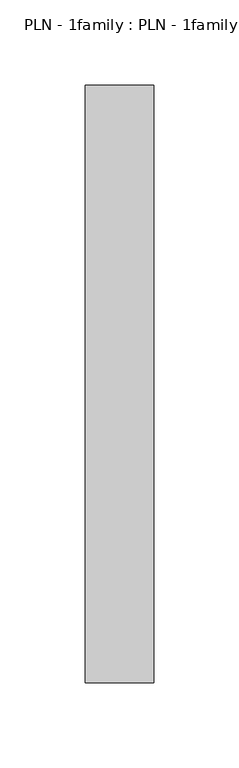
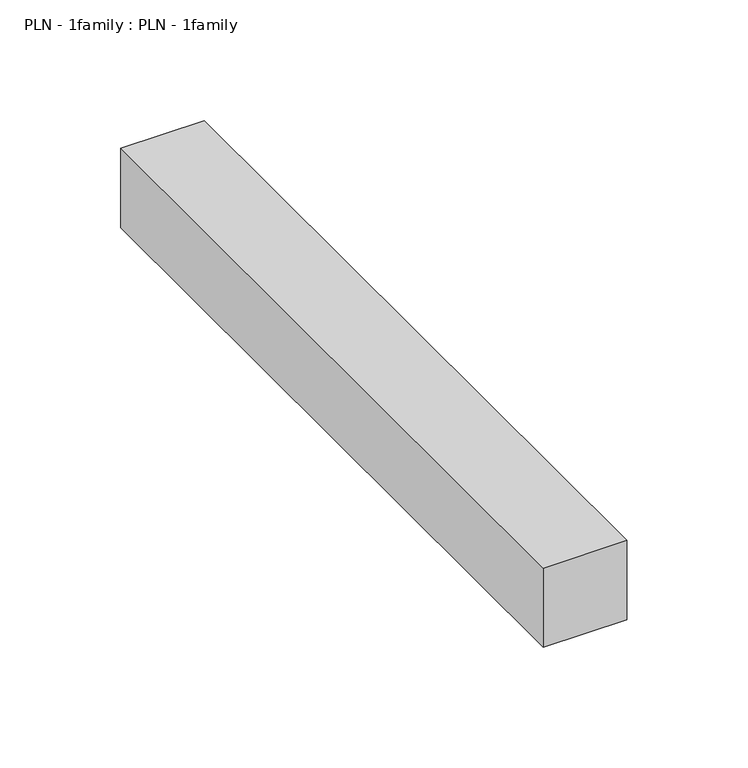
"""IFC4 building model written with IfcOpenShell, lengths in millimetres: proxy geometry, PLN - 1family : PLN - 1family."""

from ifc_helpers import new_model, si_unit, frame, origin, place, context, project, spatial, polyline, outline, extrude, source, transform, mapped, element, save


def pln_1family_pln_1family_4dc62227(model_context):
    return source(origin(), model_context, "Body", "SweptSolid", [
        extrude(outline(polyline([(0.0, 350.0), (40.0, 350.0), (40.0, 0.0), (0.0, 0.0), (0.0, 350.0)])), frame((0.0, 0.0, 300.0), z_axis=(0.0, 0.0, 1.0), x_axis=(1.0, 0.0, 0.0)), (0.0, 0.0, 1.0), 40.0),
    ])


if __name__ == "__main__":
    model = new_model("IFC4")
    model_context = context("Model", 3, world=origin())
    ifc_project = project(units=[si_unit("LENGTHUNIT", "METRE", prefix="MILLI")], contexts=[model_context])
    site = spatial("IfcSite", under=ifc_project)
    building = spatial("IfcBuilding", under=site)
    placement = place(None, origin())
    pln_1family_pln_1family_shape = pln_1family_pln_1family_4dc62227(model_context)
    element("IfcBuildingElementProxy", 1, Name="PLN - 1family : PLN - 1family", ObjectType="PLN - 1family : PLN - 1family", at=placement, inside=building, context=model_context, shape_type="MappedRepresentation", body=[
        mapped(pln_1family_pln_1family_shape, transform((0.0, 0.0, 0.0), x_axis=(1.0, 0.0, 0.0), y_axis=(0.0, 1.0, 0.0), z_axis=(0.0, 0.0, 1.0))),
    ])
    save(model, "model.ifc")
